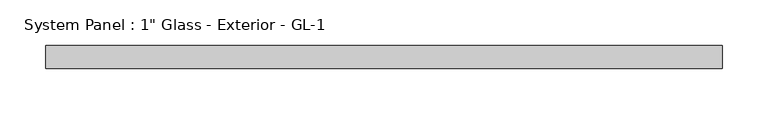
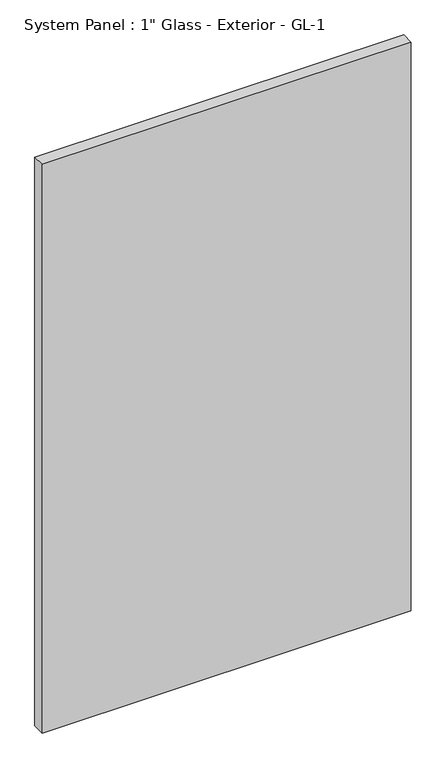
"""IFC4 building model written with IfcOpenShell, lengths in millimetres: plate geometry."""

import ifcopenshell
import ifcopenshell.guid

model = None  # the IFC model being written
_history = None  # IfcOwnerHistory: only IFC2X3 demands one
_inside = {}  # id of a spatial element -> (the spatial element, [elements in it])
_under = {}  # id of a project, library or spatial element -> (it, [spatial elements below it])
_declared = {}  # id of a project -> (the project, [libraries it declares])
_typed = {}  # id of a type object -> (the type object, [elements of that type])
_made_of = {}  # id of a material, layer set ... -> (it, [elements and type objects made of it])


def new_model(schema):
    """Start an empty IFC model of exactly this schema.

    Asked for "IFC4X3", IfcOpenShell would pick the latest addendum, in which some entities
    have other attributes; the version numbers below select the first issue.
    IFC2X3 requires an IfcOwnerHistory on every rooted entity: one is made here for all.
    """
    global model, _history
    if schema == "IFC4X3":
        model = ifcopenshell.file(schema_version=(4, 3, 0, 0))
    else:
        model = ifcopenshell.file(schema=schema)
    _inside.clear()
    _under.clear()
    _declared.clear()
    _typed.clear()
    _made_of.clear()
    _history = None
    if model.schema == "IFC2X3":
        org = make("IfcOrganization", Name="unknown")
        user = make(
            "IfcPersonAndOrganization",
            ThePerson=make("IfcPerson", FamilyName="unknown"),
            TheOrganization=org,
        )
        app = make(
            "IfcApplication",
            ApplicationDeveloper=org,
            Version="unknown",
            ApplicationFullName="unknown",
            ApplicationIdentifier="unknown",
        )
        _history = make(
            "IfcOwnerHistory",
            OwningUser=user,
            OwningApplication=app,
            ChangeAction="ADDED",
            CreationDate=0,
        )
    return model


def make(cls, **values):
    """One entity of the class cls with the attributes given. An attribute that is None is left unset."""
    return model.create_entity(
        cls, **{name: value for name, value in values.items() if value is not None}
    )


def rooted(cls, **values):
    """An entity with a GlobalId (a new one), such as an element, a storey or a relation."""
    return make(cls, GlobalId=ifcopenshell.guid.new(), OwnerHistory=_history, **values)


def si_unit(unit_type, name, prefix=None):
    """IfcSIUnit, for example si_unit("LENGTHUNIT", "METRE", prefix="MILLI")."""
    return make("IfcSIUnit", UnitType=unit_type, Prefix=prefix, Name=name)


def assignment(units):
    """IfcUnitAssignment: the units of a project."""
    return None if units is None else make("IfcUnitAssignment", Units=units)


def point(xyz):
    """IfcCartesianPoint."""
    return None if xyz is None else make("IfcCartesianPoint", Coordinates=xyz)


def direction(xyz):
    """IfcDirection."""
    return None if xyz is None else make("IfcDirection", DirectionRatios=xyz)


def frame(location, z_axis=None, x_axis=None):
    """IfcAxis2Placement3D, a coordinate frame: its origin and axes. An axis left out is left unset."""
    return make(
        "IfcAxis2Placement3D",
        Location=point(location),
        Axis=direction(z_axis),
        RefDirection=direction(x_axis),
    )


def origin():
    """The frame at (0, 0, 0) with its axes left unset."""
    return frame((0.0, 0.0, 0.0))


def origin_with_axes():
    """The frame at (0, 0, 0) with the z axis (0, 0, 1) and the x axis (1, 0, 0) written out."""
    return frame((0.0, 0.0, 0.0), z_axis=(0.0, 0.0, 1.0), x_axis=(1.0, 0.0, 0.0))


def place(relative_to, where):
    """IfcLocalPlacement: puts the frame where relative to a parent placement (None: the world)."""
    return make(
        "IfcLocalPlacement", PlacementRelTo=relative_to, RelativePlacement=where
    )


def context(
    kind, dimensions, precision=None, world=None, true_north=None, identifier=None
):
    """IfcGeometricRepresentationContext, for example the 3D "Model" context."""
    return make(
        "IfcGeometricRepresentationContext",
        ContextIdentifier=identifier,
        ContextType=kind,
        CoordinateSpaceDimension=dimensions,
        Precision=precision,
        WorldCoordinateSystem=world,
        TrueNorth=true_north,
    )


def project(units=None, contexts=None):
    """IfcProject with its units and contexts."""
    return rooted(
        "IfcProject",
        Name="project",
        RepresentationContexts=contexts,
        UnitsInContext=assignment(units),
    )


def spatial(cls, under=None, at=None, **own):
    """A site, building, storey or space (cls), placed at a placement, below another one or the project."""
    s = rooted(cls, ObjectPlacement=at, **own)
    if under is not None:
        _under.setdefault(under.id(), (under, []))[1].append(s)
    return s


def polyline(points):
    """IfcPolyline through the points."""
    return make("IfcPolyline", Points=[point(p) for p in points])


def outline(outer, holes=None, kind="AREA"):
    """IfcArbitraryClosedProfileDef: a profile drawn as a closed curve; with holes, ...WithVoids."""
    if holes is None:
        return make("IfcArbitraryClosedProfileDef", ProfileType=kind, OuterCurve=outer)
    return make(
        "IfcArbitraryProfileDefWithVoids",
        ProfileType=kind,
        OuterCurve=outer,
        InnerCurves=holes,
    )


def extrude(swept, where, along, depth):
    """IfcExtrudedAreaSolid: the profile swept, set in the frame where, extruded along a direction by depth."""
    return make(
        "IfcExtrudedAreaSolid",
        SweptArea=swept,
        Position=where,
        ExtrudedDirection=direction(along),
        Depth=depth,
    )


def shape(context_of_items, identifier, shape_type, items):
    """IfcShapeRepresentation: the items that make up one representation, for example the "Body"."""
    return make(
        "IfcShapeRepresentation",
        ContextOfItems=context_of_items,
        RepresentationIdentifier=identifier,
        RepresentationType=shape_type,
        Items=items,
    )


def source(mapping_origin, context_of_items, identifier, shape_type, items):
    """IfcRepresentationMap: a shape defined once, which mapped items show again and again."""
    return make(
        "IfcRepresentationMap",
        MappingOrigin=mapping_origin,
        MappedRepresentation=shape(context_of_items, identifier, shape_type, items),
    )


def transform(
    local_origin,
    x_axis=None,
    y_axis=None,
    z_axis=None,
    scale=None,
    scale2=None,
    scale3=None,
    uniform=True,
):
    """IfcCartesianTransformationOperator3D, or its non-uniform kind. x_axis, y_axis, z_axis: its Axis1, 2, 3."""
    if uniform:
        return make(
            "IfcCartesianTransformationOperator3D",
            Axis1=direction(x_axis),
            Axis2=direction(y_axis),
            LocalOrigin=point(local_origin),
            Scale=scale,
            Axis3=direction(z_axis),
        )
    return make(
        "IfcCartesianTransformationOperator3DnonUniform",
        Axis1=direction(x_axis),
        Axis2=direction(y_axis),
        LocalOrigin=point(local_origin),
        Scale=scale,
        Axis3=direction(z_axis),
        Scale2=scale2,
        Scale3=scale3,
    )


def mapped(mapping_source, mapping_target):
    """IfcMappedItem: shows the shape of a source again, moved by a transform."""
    return make(
        "IfcMappedItem", MappingSource=mapping_source, MappingTarget=mapping_target
    )


def made_of(thing, what):
    """Note that an element or type object is made of a material, layer set ...; save() writes the relation."""
    if what is not None:
        _made_of.setdefault(what.id(), (what, []))[1].append(thing)
    return thing


def element(
    cls,
    number,
    at=None,
    inside=None,
    cuts=None,
    type_object=None,
    material=None,
    context=None,
    identifier="Body",
    shape_type=None,
    held_by="IfcProductDefinitionShape",
    body=None,
    shapes=None,
    **own,
):
    """One element of the class cls, such as IfcWall. Its Tag is "e" and its number.

    at: its placement. inside: the storey or other place that contains it. cuts: it is an
    opening in that element (IfcRelVoidsElement). A single representation is given by context,
    identifier, shape_type and body (its items); several are given by shapes. held_by: the class
    of the entity that holds the representations. save() writes the other relations.
    """
    e = rooted(cls, Tag="e%d" % number, ObjectPlacement=at, **own)
    if body is not None:
        shapes = [shape(context, identifier, shape_type, body)]
    if shapes is not None:
        e.Representation = make(held_by, Representations=shapes)
    if inside is not None:
        _inside.setdefault(inside.id(), (inside, []))[1].append(e)
    if cuts is not None:
        rooted(
            "IfcRelVoidsElement", RelatingBuildingElement=cuts, RelatedOpeningElement=e
        )
    if type_object is not None:
        _typed.setdefault(type_object.id(), (type_object, []))[1].append(e)
    return made_of(e, material)


def aggregate(whole, parts):
    """IfcRelAggregates: a whole, such as a stair, and the parts it consists of."""
    return rooted("IfcRelAggregates", RelatingObject=whole, RelatedObjects=parts)


def save(model, path):
    """Write the relations noted so far, then the file.

    IfcRelAggregates (storeys below a building ...), IfcRelContainedInSpatialStructure (elements
    in a storey), IfcRelDefinesByType, IfcRelAssociatesMaterial and IfcRelDeclares: one each for
    every whole, place, type object, material and project.
    """
    for whole, parts in _under.values():
        aggregate(whole, parts)
    for where, things in _inside.values():
        rooted(
            "IfcRelContainedInSpatialStructure",
            RelatedElements=things,
            RelatingStructure=where,
        )
    for kind, things in _typed.values():
        rooted("IfcRelDefinesByType", RelatedObjects=things, RelatingType=kind)
    for what, things in _made_of.values():
        rooted("IfcRelAssociatesMaterial", RelatedObjects=things, RelatingMaterial=what)
    for by, libraries in _declared.values():
        rooted("IfcRelDeclares", RelatingContext=by, RelatedDefinitions=libraries)
    model.write(path)


def plate_700f5415(model_context):
    return source(origin(), model_context, "Body", "SweptSolid", [
        extrude(outline(polyline([(371.475, 12.7), (-371.475, 12.7), (-371.475, 38.1), (371.475, 38.1), (371.475, 12.7)])), origin_with_axes(), (0.0, 0.0, 1.0), 1209.675),
    ])


if __name__ == "__main__":
    model = new_model("IFC4")
    model_context = context("Model", 3, world=origin())
    ifc_project = project(units=[si_unit("LENGTHUNIT", "METRE", prefix="MILLI")], contexts=[model_context])
    site = spatial("IfcSite", under=ifc_project)
    building = spatial("IfcBuilding", under=site)
    placement = place(None, origin())
    plate_shape = plate_700f5415(model_context)
    element("IfcPlate", 1, ObjectType="System Panel : 1\" Glass - Exterior - GL-1", at=placement, inside=building, context=model_context, shape_type="MappedRepresentation", body=[
        mapped(plate_shape, transform((0.0, 0.0, 0.0), x_axis=(1.0, 0.0, 0.0), y_axis=(0.0, 1.0, 0.0), z_axis=(0.0, 0.0, 1.0))),
    ])
    save(model, "model.ifc")
